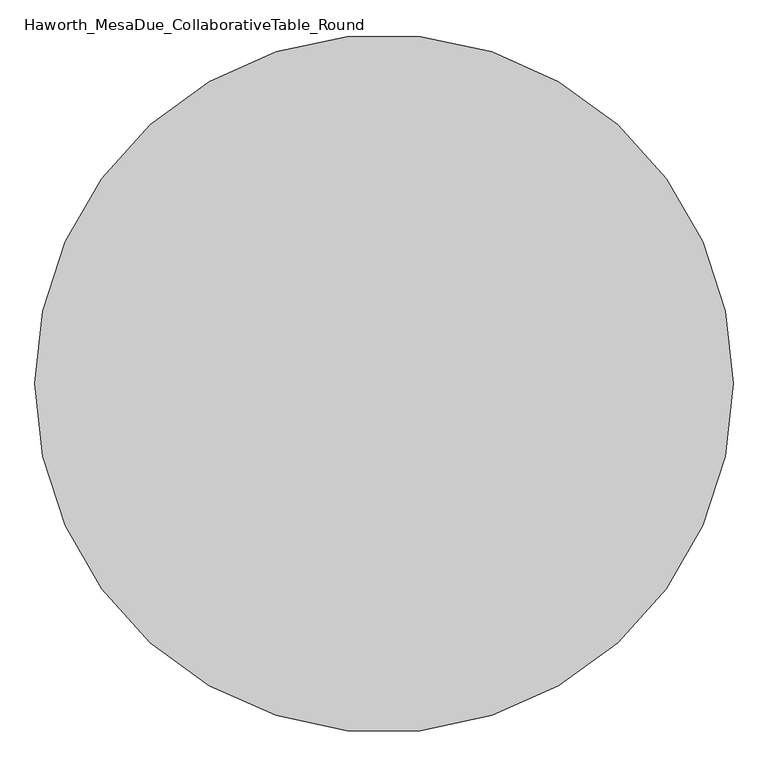
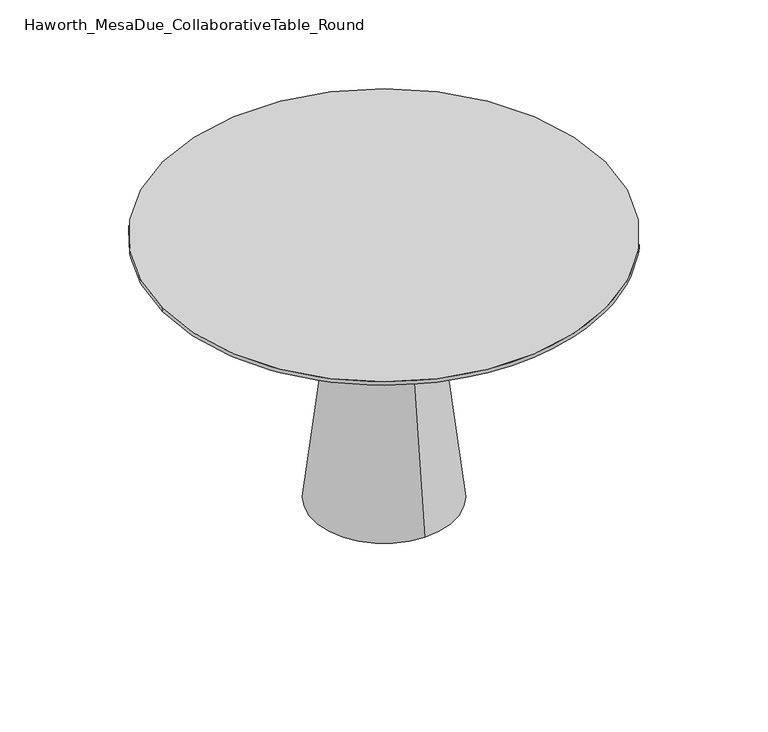
"""IFC4 building model written with IfcOpenShell, lengths in millimetres: furniture geometry, Haworth_MesaDue_CollaborativeTable_Round."""

from ifc_helpers import new_model, si_unit, point, frame, frame_2d, origin, place, context, project, spatial, polyline, circle_curve, trimmed, segment, composite_curve, outline, extrude, source, transform, mapped, element, save
from ifc_brep_helpers import plane_surface, cylinder_surface, revolved_surface, advanced_brep


def haworth_mesadue_collaborativetable_round_81c9695b(model_context):
    return source(origin(), model_context, "Body", "SolidModel", [
        extrude(outline(composite_curve([segment(polyline([(-271.058137, 225.7246829), (-134.902877, 132.3450536)]), True, "CONTINUOUS"), segment(trimmed(circle_curve(frame_2d((31.9985507, 375.7012058)), 295.0903309), [point((-134.902877, 132.3450536))], [point((159.3004468, 109.4822534))], True, "CARTESIAN"), True, "CONTINUOUS"), segment(polyline([(159.3004468, 109.4822534), (304.3691364, 178.8519173)]), True, "CONTINUOUS"), segment(trimmed(circle_curve(frame_2d((316.0449699, 145.7225177)), 35.1266595), [point((304.3691364, 178.8519173))], [point((334.5024092, 115.8359799))], False, "CARTESIAN"), True, "CONTINUOUS"), segment(polyline([(334.5024092, 115.8359799), (183.3886311, 61.154492)]), True, "CONTINUOUS"), segment(trimmed(circle_curve(frame_2d((311.6854551, -195.3371747)), 286.7892085), [point((183.3886311, 61.154492))], [point((32.7243566, -128.788278))], True, "CARTESIAN"), True, "CONTINUOUS"), segment(polyline([(32.7243566, -128.788278), (14.7777346, -359.7291864)]), True, "CONTINUOUS"), segment(trimmed(circle_curve(frame_2d((-24.0397356, -352.8713492)), 39.4185987), [point((14.7777346, -359.7291864))], [point((-63.4465739, -353.8341677))], False, "CARTESIAN"), True, "CONTINUOUS"), segment(polyline([(-63.4465739, -353.8341677), (-50.6527711, -189.0467564)]), True, "CONTINUOUS"), segment(trimmed(circle_curve(frame_2d((-344.920142, -166.1789791)), 295.1545711), [point((-50.6527711, -189.0467564))], [point((-174.4096432, 74.7409051))], True, "CARTESIAN"), True, "CONTINUOUS"), segment(polyline([(-174.4096432, 74.7409051), (-310.5649032, 168.1205344)]), True, "CONTINUOUS"), segment(trimmed(circle_curve(frame_2d((-287.7119183, 194.7968026)), 35.1266595), [point((-310.5649032, 168.1205344))], [point((-271.058137, 225.7246829))], False, "CARTESIAN"), True, "CONTINUOUS")], self_intersect=False)), frame((0.0, 0.0, 698.5), z_axis=(0.0, 0.0, 1.0), x_axis=(1.0, 0.0, 0.0)), (0.0, 0.0, 1.0), 19.05),
        advanced_brep(
        [(-103.785033, -4.0299408, 566.7753624), (103.785033, -4.0299408, 566.7753624), (104.9851009, -4.0299408, 565.7683859), (-104.9851009, -4.0299408, 565.7683859), (-70.0022257, -4.0299408, 566.7753624), (70.0022257, -4.0299408, 566.7753624), (-70.0022257, -4.0299408, 698.5), (70.0022257, -4.0299408, 698.5), (0.0, -4.0299408, 698.5), (-104.9851009, -4.0299408, 552.0171809), (104.9851009, -4.0299408, 552.0171809), (0.0, -4.0299408, 552.0171809)],
        [
            (0, 1, circle_curve(frame((0.0, -4.0299408, 566.7753624), z_axis=(0.0, 0.0, -1.0), x_axis=(1.0, 0.0, 0.0)), 103.785033)),
            (1, 2),
            (2, 3, circle_curve(frame((0.0, -4.0299408, 565.7683859), z_axis=(0.0, 0.0, 1.0), x_axis=(1.0, 0.0, 0.0)), 104.9851009)),
            (3, 0),
            (1, 0, circle_curve(frame((0.0, -4.0299408, 566.7753624), z_axis=(0.0, 0.0, -1.0), x_axis=(1.0, 0.0, 0.0)), 103.785033)),
            (3, 2, circle_curve(frame((0.0, -4.0299408, 565.7683859), z_axis=(0.0, 0.0, 1.0), x_axis=(1.0, 0.0, 0.0)), 104.9851009)),
            (4, 5, circle_curve(frame((0.0, -4.0299408, 566.7753624), z_axis=(0.0, 0.0, -1.0), x_axis=(1.0, 0.0, 0.0)), 70.0022257)),
            (5, 1),
            (0, 4),
            (5, 4, circle_curve(frame((0.0, -4.0299408, 566.7753624), z_axis=(0.0, 0.0, -1.0), x_axis=(1.0, 0.0, 0.0)), 70.0022257)),
            (6, 7, circle_curve(frame((0.0, -4.0299408, 698.5), z_axis=(0.0, 0.0, -1.0), x_axis=(1.0, 0.0, 0.0)), 70.0022257)),
            (7, 5),
            (4, 6),
            (7, 6, circle_curve(frame((0.0, -4.0299408, 698.5), z_axis=(0.0, 0.0, -1.0), x_axis=(1.0, 0.0, 0.0)), 70.0022257)),
            (8, 7),
            (6, 8),
            (9, 10, circle_curve(frame((0.0, -4.0299408, 552.0171809), z_axis=(0.0, 0.0, -1.0), x_axis=(1.0, 0.0, 0.0)), 104.9851009)),
            (10, 11),
            (11, 9),
            (10, 9, circle_curve(frame((0.0, -4.0299408, 552.0171809), z_axis=(0.0, 0.0, -1.0), x_axis=(1.0, 0.0, 0.0)), 104.9851009)),
            (2, 10),
            (9, 3),
        ],
        [
            revolved_surface(polyline([(104.9851009, -4.0299408, 565.7683859), (103.785033, -4.0299408, 566.7753624)]), (0.0, -4.0299408, 698.7581749), (0.0, 0.0, 1.0)),
            plane_surface(frame((0.0, -4.0299408, 566.7753624), z_axis=(0.0, 0.0, 1.0), x_axis=(1.0, 0.0, 0.0))),
            cylinder_surface(frame((0.0, -4.0299408, 698.7581749), z_axis=(0.0, 0.0, 1.0), x_axis=(1.0, 0.0, 0.0)), 70.0022257),
            plane_surface(frame((0.0, -4.0299408, 698.5), z_axis=(0.0, 0.0, 1.0), x_axis=(1.0, 0.0, 0.0))),
            plane_surface(frame((0.0, -4.0299408, 552.0171809), z_axis=(0.0, 0.0, -1.0), x_axis=(1.0, 0.0, 0.0))),
            cylinder_surface(frame((0.0, -4.0299408, 698.7581749), z_axis=(0.0, 0.0, 1.0), x_axis=(1.0, 0.0, 0.0)), 104.9851009),
        ],
        [
            (0, [[1, 2, 3, 4]]),
            (0, [[5, -4, 6, -2]]),
            (1, [[7, 8, -1, 9]]),
            (1, [[10, -9, -5, -8]]),
            (2, [[11, 12, -7, 13]]),
            (2, [[14, -13, -10, -12]]),
            (3, [[15, -11, 16]]),
            (3, [[-16, -14, -15]]),
            (4, [[17, 18, 19]]),
            (4, [[20, -19, -18]]),
            (5, [[-3, 21, -17, 22]]),
            (5, [[-6, -22, -20, -21]]),
        ],
    ),
        advanced_brep(
        [(0.0, -4.0299408, 552.0171809), (0.0, 122.5690456, 552.0171809), (0.0, -130.6289271, 552.0171809), (0.0, -195.8551875, 0.0), (0.0, 187.795306, 0.0), (0.0, -4.0299408, 0.0)],
        [
            (0, 1),
            (1, 2, circle_curve(frame((0.0, -4.0299408, 552.0171809), z_axis=(0.0, 0.0, 1.0), x_axis=(0.0, 1.0, 0.0)), 126.5989864)),
            (2, 0),
            (2, 1, circle_curve(frame((0.0, -4.0299408, 552.0171809), z_axis=(0.0, 0.0, 1.0), x_axis=(0.0, 1.0, 0.0)), 126.5989864)),
            (3, 4, circle_curve(frame((0.0, -4.0299408, 0.0), z_axis=(0.0, 0.0, -1.0), x_axis=(0.0, 1.0, 0.0)), 191.8252468)),
            (4, 5),
            (5, 3),
            (4, 3, circle_curve(frame((0.0, -4.0299408, 0.0), z_axis=(0.0, 0.0, -1.0), x_axis=(0.0, 1.0, 0.0)), 191.8252468)),
            (1, 4),
            (3, 2),
        ],
        [
            plane_surface(frame((0.0, -4.0299408, 552.0171809), z_axis=(0.0, 0.0, 1.0), x_axis=(0.0, 1.0, 0.0))),
            plane_surface(frame((0.0, -4.0299408, 0.0), z_axis=(0.0, 0.0, -1.0), x_axis=(0.0, 1.0, 0.0))),
            revolved_surface(polyline([(0.0, 187.795306, 0.0), (0.0, 122.5690456, 552.0171809)]), (0.0, -4.0299408, 602.8171809), (0.0, 0.0, 1.0)),
        ],
        [
            (0, [[1, 2, 3]]),
            (0, [[-3, 4, -1]]),
            (1, [[5, 6, 7]]),
            (1, [[8, -7, -6]]),
            (2, [[-2, 9, -5, 10]]),
            (2, [[-4, -10, -8, -9]]),
        ],
    ),
        advanced_brep(
        [(-600.075, -4.0299408, 749.3), (600.075, -4.0299408, 749.3), (565.15, -4.0299408, 717.55), (-565.15, -4.0299408, 717.55), (600.075, -4.0299408, 739.1796875), (-600.075, -4.0299408, 739.1796875)],
        [
            (0, 1, circle_curve(frame((0.0, -4.0299408, 749.3), z_axis=(0.0, 0.0, 1.0), x_axis=(1.0, 0.0, 0.0)), 600.075)),
            (1, 0, circle_curve(frame((0.0, -4.0299408, 749.3), z_axis=(0.0, 0.0, 1.0), x_axis=(1.0, 0.0, 0.0)), 600.075)),
            (2, 3, circle_curve(frame((0.0, -4.0299408, 717.55), z_axis=(0.0, -2.8091046308683154e-12, -1.0), x_axis=(1.0, 0.0, 0.0)), 565.15)),
            (3, 2, circle_curve(frame((0.0, -4.0299408, 717.55), z_axis=(0.0, -2.8091046308683154e-12, -1.0), x_axis=(-1.0, 0.0, 0.0)), 565.15)),
            (2, 4),
            (4, 5, circle_curve(frame((0.0, -4.0299408, 739.1796875), z_axis=(0.0, -2.8091046308683154e-12, -1.0), x_axis=(1.0, 0.0, 0.0)), 600.075)),
            (5, 3),
            (5, 4, circle_curve(frame((0.0, -4.0299408, 739.1796875), z_axis=(0.0, -2.8091046308683154e-12, -1.0), x_axis=(-1.0, 0.0, 0.0)), 600.075)),
            (0, 5),
            (4, 1),
        ],
        [
            plane_surface(frame((600.075, -4.0299408, 749.3), z_axis=(0.0, 0.0, 1.0), x_axis=(0.0, 1.0, 0.0))),
            plane_surface(frame((0.0, -4.0299408, 717.55), z_axis=(0.0, 0.0, -1.0), x_axis=(0.0, 1.0, 0.0))),
            revolved_surface(polyline([(565.1500000042716, -4.0299408, 717.55), (600.075, -4.0299408, 739.1796875)]), (0.0, -4.0299408, 367.5423295), (0.0, 2.8091046308683154e-12, 1.0)),
            revolved_surface(polyline([(-565.1500000042716, -4.0299408, 717.55), (-600.075, -4.0299408, 739.1796875)]), (0.0, -4.0299408, 367.5423295), (0.0, 2.8091046308683154e-12, 1.0)),
            cylinder_surface(frame((0.0, -4.0299408, 739.1796875), z_axis=(0.0, 0.0, 1.0), x_axis=(1.0, 0.0, 0.0)), 600.075),
        ],
        [
            (0, [[1, 2]]),
            (1, [[3, 4]]),
            (2, [[-3, 5, 6, 7]]),
            (3, [[-4, -7, 8, -5]]),
            (4, [[-1, 9, -6, 10]]),
            (4, [[-2, -10, -8, -9]]),
        ],
    ),
    ])


if __name__ == "__main__":
    model = new_model("IFC4")
    model_context = context("Model", 3, world=origin())
    ifc_project = project(units=[si_unit("LENGTHUNIT", "METRE", prefix="MILLI")], contexts=[model_context])
    site = spatial("IfcSite", under=ifc_project)
    building = spatial("IfcBuilding", under=site)
    placement = place(None, origin())
    haworth_mesadue_collaborativetable_round_shape = haworth_mesadue_collaborativetable_round_81c9695b(model_context)
    element("IfcFurniture", 1, ObjectType="Haworth_MesaDue_CollaborativeTable_Round", at=placement, inside=building, context=model_context, shape_type="MappedRepresentation", body=[
        mapped(haworth_mesadue_collaborativetable_round_shape, transform((0.0, 0.0, 0.0), x_axis=(1.0, 0.0, 0.0), y_axis=(0.0, 1.0, 0.0), z_axis=(0.0, 0.0, 1.0))),
    ])
    save(model, "model.ifc")
